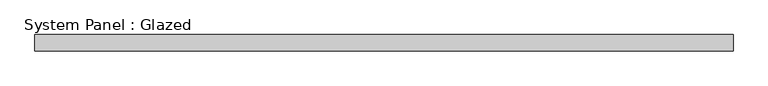
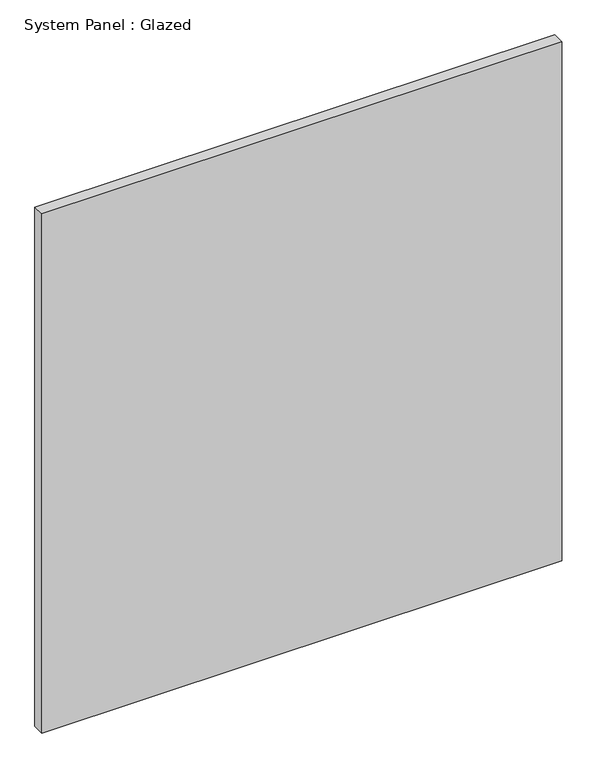
"""IFC4 building model written with IfcOpenShell, lengths in millimetres: plate geometry, System Panel : Glazed."""

from ifc_helpers import new_model, si_unit, origin, origin_with_axes, place, context, project, spatial, polyline, outline, extrude, source, transform, mapped, element, save


def system_panel_glazed_6526ba93(model_context):
    return source(origin(), model_context, "Body", "SweptSolid", [
        extrude(outline(polyline([(550.0, 19.05), (-550.0, 19.05), (-550.0, 44.45), (550.0, 44.45), (550.0, 19.05)])), origin_with_axes(), (0.0, 0.0, 1.0), 1161.6),
    ])


if __name__ == "__main__":
    model = new_model("IFC4")
    model_context = context("Model", 3, world=origin())
    ifc_project = project(units=[si_unit("LENGTHUNIT", "METRE", prefix="MILLI")], contexts=[model_context])
    site = spatial("IfcSite", under=ifc_project)
    building = spatial("IfcBuilding", under=site)
    placement = place(None, origin())
    system_panel_glazed_shape = system_panel_glazed_6526ba93(model_context)
    element("IfcPlate", 1, ObjectType="System Panel : Glazed", at=placement, inside=building, context=model_context, shape_type="MappedRepresentation", body=[
        mapped(system_panel_glazed_shape, transform((0.0, 0.0, 0.0), x_axis=(1.0, 0.0, 0.0), y_axis=(0.0, 1.0, 0.0), z_axis=(0.0, 0.0, 1.0))),
    ])
    save(model, "model.ifc")
